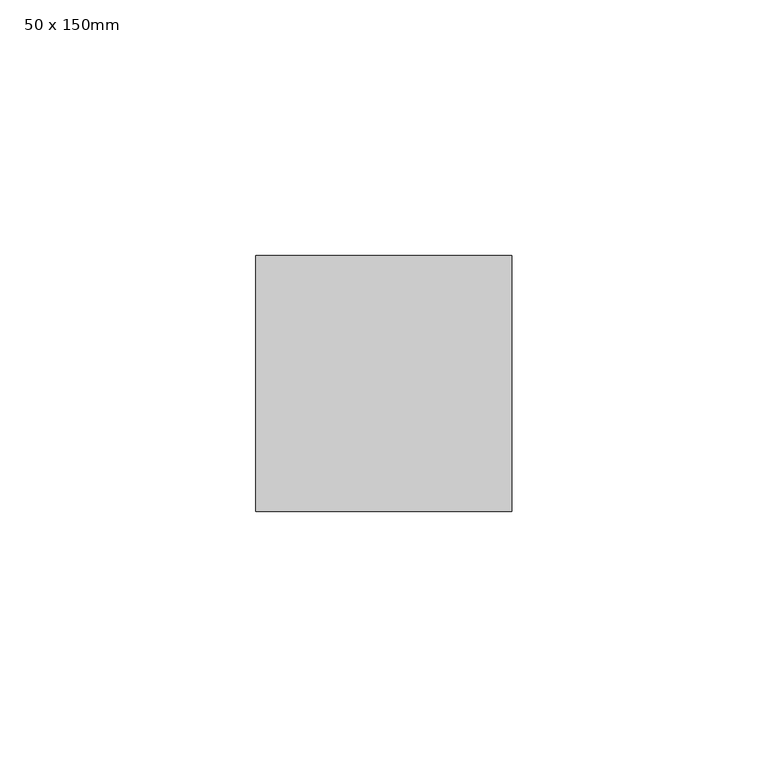
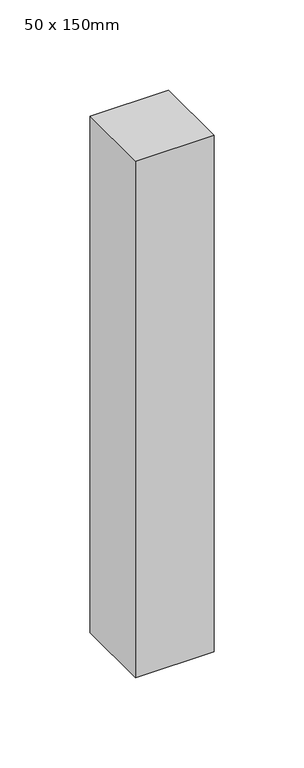
"""IFC4 building model written with IfcOpenShell, lengths in millimetres: member geometry, 50 x 150mm."""

import ifcopenshell
import ifcopenshell.guid

model = None  # the IFC model being written
_history = None  # IfcOwnerHistory: only IFC2X3 demands one
_inside = {}  # id of a spatial element -> (the spatial element, [elements in it])
_under = {}  # id of a project, library or spatial element -> (it, [spatial elements below it])
_declared = {}  # id of a project -> (the project, [libraries it declares])
_typed = {}  # id of a type object -> (the type object, [elements of that type])
_made_of = {}  # id of a material, layer set ... -> (it, [elements and type objects made of it])


def new_model(schema):
    """Start an empty IFC model of exactly this schema.

    Asked for "IFC4X3", IfcOpenShell would pick the latest addendum, in which some entities
    have other attributes; the version numbers below select the first issue.
    IFC2X3 requires an IfcOwnerHistory on every rooted entity: one is made here for all.
    """
    global model, _history
    if schema == "IFC4X3":
        model = ifcopenshell.file(schema_version=(4, 3, 0, 0))
    else:
        model = ifcopenshell.file(schema=schema)
    _inside.clear()
    _under.clear()
    _declared.clear()
    _typed.clear()
    _made_of.clear()
    _history = None
    if model.schema == "IFC2X3":
        org = make("IfcOrganization", Name="unknown")
        user = make(
            "IfcPersonAndOrganization",
            ThePerson=make("IfcPerson", FamilyName="unknown"),
            TheOrganization=org,
        )
        app = make(
            "IfcApplication",
            ApplicationDeveloper=org,
            Version="unknown",
            ApplicationFullName="unknown",
            ApplicationIdentifier="unknown",
        )
        _history = make(
            "IfcOwnerHistory",
            OwningUser=user,
            OwningApplication=app,
            ChangeAction="ADDED",
            CreationDate=0,
        )
    return model


def make(cls, **values):
    """One entity of the class cls with the attributes given. An attribute that is None is left unset."""
    return model.create_entity(
        cls, **{name: value for name, value in values.items() if value is not None}
    )


def rooted(cls, **values):
    """An entity with a GlobalId (a new one), such as an element, a storey or a relation."""
    return make(cls, GlobalId=ifcopenshell.guid.new(), OwnerHistory=_history, **values)


def si_unit(unit_type, name, prefix=None):
    """IfcSIUnit, for example si_unit("LENGTHUNIT", "METRE", prefix="MILLI")."""
    return make("IfcSIUnit", UnitType=unit_type, Prefix=prefix, Name=name)


def assignment(units):
    """IfcUnitAssignment: the units of a project."""
    return None if units is None else make("IfcUnitAssignment", Units=units)


def point(xyz):
    """IfcCartesianPoint."""
    return None if xyz is None else make("IfcCartesianPoint", Coordinates=xyz)


def direction(xyz):
    """IfcDirection."""
    return None if xyz is None else make("IfcDirection", DirectionRatios=xyz)


def frame(location, z_axis=None, x_axis=None):
    """IfcAxis2Placement3D, a coordinate frame: its origin and axes. An axis left out is left unset."""
    return make(
        "IfcAxis2Placement3D",
        Location=point(location),
        Axis=direction(z_axis),
        RefDirection=direction(x_axis),
    )


def origin():
    """The frame at (0, 0, 0) with its axes left unset."""
    return frame((0.0, 0.0, 0.0))


def place(relative_to, where):
    """IfcLocalPlacement: puts the frame where relative to a parent placement (None: the world)."""
    return make(
        "IfcLocalPlacement", PlacementRelTo=relative_to, RelativePlacement=where
    )


def context(
    kind, dimensions, precision=None, world=None, true_north=None, identifier=None
):
    """IfcGeometricRepresentationContext, for example the 3D "Model" context."""
    return make(
        "IfcGeometricRepresentationContext",
        ContextIdentifier=identifier,
        ContextType=kind,
        CoordinateSpaceDimension=dimensions,
        Precision=precision,
        WorldCoordinateSystem=world,
        TrueNorth=true_north,
    )


def project(units=None, contexts=None):
    """IfcProject with its units and contexts."""
    return rooted(
        "IfcProject",
        Name="project",
        RepresentationContexts=contexts,
        UnitsInContext=assignment(units),
    )


def spatial(cls, under=None, at=None, **own):
    """A site, building, storey or space (cls), placed at a placement, below another one or the project."""
    s = rooted(cls, ObjectPlacement=at, **own)
    if under is not None:
        _under.setdefault(under.id(), (under, []))[1].append(s)
    return s


def polyline(points):
    """IfcPolyline through the points."""
    return make("IfcPolyline", Points=[point(p) for p in points])


def outline(outer, holes=None, kind="AREA"):
    """IfcArbitraryClosedProfileDef: a profile drawn as a closed curve; with holes, ...WithVoids."""
    if holes is None:
        return make("IfcArbitraryClosedProfileDef", ProfileType=kind, OuterCurve=outer)
    return make(
        "IfcArbitraryProfileDefWithVoids",
        ProfileType=kind,
        OuterCurve=outer,
        InnerCurves=holes,
    )


def extrude(swept, where, along, depth):
    """IfcExtrudedAreaSolid: the profile swept, set in the frame where, extruded along a direction by depth."""
    return make(
        "IfcExtrudedAreaSolid",
        SweptArea=swept,
        Position=where,
        ExtrudedDirection=direction(along),
        Depth=depth,
    )


def shape(context_of_items, identifier, shape_type, items):
    """IfcShapeRepresentation: the items that make up one representation, for example the "Body"."""
    return make(
        "IfcShapeRepresentation",
        ContextOfItems=context_of_items,
        RepresentationIdentifier=identifier,
        RepresentationType=shape_type,
        Items=items,
    )


def source(mapping_origin, context_of_items, identifier, shape_type, items):
    """IfcRepresentationMap: a shape defined once, which mapped items show again and again."""
    return make(
        "IfcRepresentationMap",
        MappingOrigin=mapping_origin,
        MappedRepresentation=shape(context_of_items, identifier, shape_type, items),
    )


def transform(
    local_origin,
    x_axis=None,
    y_axis=None,
    z_axis=None,
    scale=None,
    scale2=None,
    scale3=None,
    uniform=True,
):
    """IfcCartesianTransformationOperator3D, or its non-uniform kind. x_axis, y_axis, z_axis: its Axis1, 2, 3."""
    if uniform:
        return make(
            "IfcCartesianTransformationOperator3D",
            Axis1=direction(x_axis),
            Axis2=direction(y_axis),
            LocalOrigin=point(local_origin),
            Scale=scale,
            Axis3=direction(z_axis),
        )
    return make(
        "IfcCartesianTransformationOperator3DnonUniform",
        Axis1=direction(x_axis),
        Axis2=direction(y_axis),
        LocalOrigin=point(local_origin),
        Scale=scale,
        Axis3=direction(z_axis),
        Scale2=scale2,
        Scale3=scale3,
    )


def mapped(mapping_source, mapping_target):
    """IfcMappedItem: shows the shape of a source again, moved by a transform."""
    return make(
        "IfcMappedItem", MappingSource=mapping_source, MappingTarget=mapping_target
    )


def made_of(thing, what):
    """Note that an element or type object is made of a material, layer set ...; save() writes the relation."""
    if what is not None:
        _made_of.setdefault(what.id(), (what, []))[1].append(thing)
    return thing


def element(
    cls,
    number,
    at=None,
    inside=None,
    cuts=None,
    type_object=None,
    material=None,
    context=None,
    identifier="Body",
    shape_type=None,
    held_by="IfcProductDefinitionShape",
    body=None,
    shapes=None,
    **own,
):
    """One element of the class cls, such as IfcWall. Its Tag is "e" and its number.

    at: its placement. inside: the storey or other place that contains it. cuts: it is an
    opening in that element (IfcRelVoidsElement). A single representation is given by context,
    identifier, shape_type and body (its items); several are given by shapes. held_by: the class
    of the entity that holds the representations. save() writes the other relations.
    """
    e = rooted(cls, Tag="e%d" % number, ObjectPlacement=at, **own)
    if body is not None:
        shapes = [shape(context, identifier, shape_type, body)]
    if shapes is not None:
        e.Representation = make(held_by, Representations=shapes)
    if inside is not None:
        _inside.setdefault(inside.id(), (inside, []))[1].append(e)
    if cuts is not None:
        rooted(
            "IfcRelVoidsElement", RelatingBuildingElement=cuts, RelatedOpeningElement=e
        )
    if type_object is not None:
        _typed.setdefault(type_object.id(), (type_object, []))[1].append(e)
    return made_of(e, material)


def aggregate(whole, parts):
    """IfcRelAggregates: a whole, such as a stair, and the parts it consists of."""
    return rooted("IfcRelAggregates", RelatingObject=whole, RelatedObjects=parts)


def save(model, path):
    """Write the relations noted so far, then the file.

    IfcRelAggregates (storeys below a building ...), IfcRelContainedInSpatialStructure (elements
    in a storey), IfcRelDefinesByType, IfcRelAssociatesMaterial and IfcRelDeclares: one each for
    every whole, place, type object, material and project.
    """
    for whole, parts in _under.values():
        aggregate(whole, parts)
    for where, things in _inside.values():
        rooted(
            "IfcRelContainedInSpatialStructure",
            RelatedElements=things,
            RelatingStructure=where,
        )
    for kind, things in _typed.values():
        rooted("IfcRelDefinesByType", RelatedObjects=things, RelatingType=kind)
    for what, things in _made_of.values():
        rooted("IfcRelAssociatesMaterial", RelatedObjects=things, RelatingMaterial=what)
    for by, libraries in _declared.values():
        rooted("IfcRelDeclares", RelatingContext=by, RelatedDefinitions=libraries)
    model.write(path)


def member_50_x_150mm_fc20ae82(model_context):
    return source(origin(), model_context, "Body", "SweptSolid", [
        extrude(outline(polyline([(25.0, 25.0), (25.0, -25.0), (-25.0, -25.0), (-25.0, 25.0), (25.0, 25.0)])), frame((0.0, 0.0, -348.3472853), z_axis=(0.0, 0.0, 1.0), x_axis=(1.0, 0.0, 0.0)), (0.0, 0.0, 1.0), 348.3472853),
    ])


if __name__ == "__main__":
    model = new_model("IFC4")
    model_context = context("Model", 3, world=origin())
    ifc_project = project(units=[si_unit("LENGTHUNIT", "METRE", prefix="MILLI")], contexts=[model_context])
    site = spatial("IfcSite", under=ifc_project)
    building = spatial("IfcBuilding", under=site)
    placement = place(None, origin())
    member_50_x_150mm_shape = member_50_x_150mm_fc20ae82(model_context)
    element("IfcMember", 1, ObjectType="50 x 150mm", at=placement, inside=building, context=model_context, shape_type="MappedRepresentation", body=[
        mapped(member_50_x_150mm_shape, transform((0.0, 0.0, 0.0), x_axis=(1.0, 0.0, 0.0), y_axis=(0.0, 1.0, 0.0), z_axis=(0.0, 0.0, 1.0))),
    ])
    save(model, "model.ifc")
